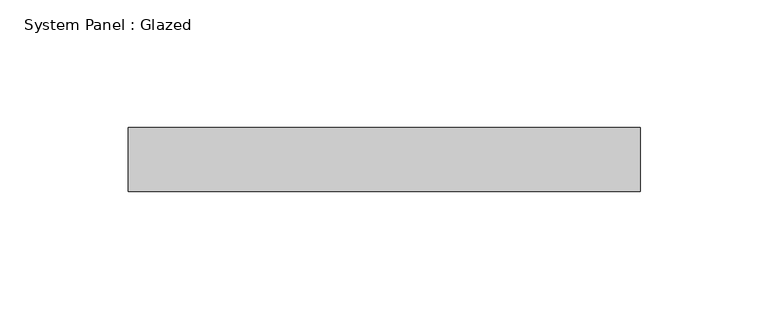
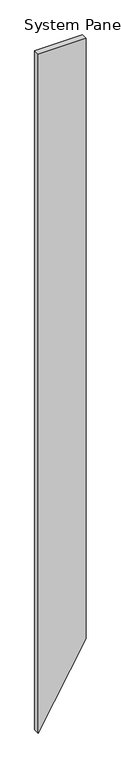
"""IFC4 building model written with IfcOpenShell, lengths in millimetres: plate geometry, System Panel : Glazed."""

from ifc_helpers import new_model, si_unit, origin, place, context, project, spatial, faceted_brep, source, transform, mapped, element, save


def system_panel_glazed_7b192f66(model_context):
    return source(origin(), model_context, "Body", "Brep", [
        faceted_brep([(-100.0000002, 24.5, 0.0), (100.0000002, 24.5, 346.410162), (100.0000002, 24.5, 3000.0), (-99.9999998, 24.5, 3000.0), (-99.9999998, 49.5, 5e-07), (-99.9999998, 49.5, 3000.0), (100.0000002, 49.5, 3000.0), (100.0000002, 49.5, 346.410162)], [[[0, 1, 2, 3]], [[4, 5, 6, 7]], [[1, 0, 4, 7]], [[2, 1, 7, 6]], [[3, 2, 6, 5]], [[0, 3, 5, 4]]]),
    ])


if __name__ == "__main__":
    model = new_model("IFC4")
    model_context = context("Model", 3, world=origin())
    ifc_project = project(units=[si_unit("LENGTHUNIT", "METRE", prefix="MILLI")], contexts=[model_context])
    site = spatial("IfcSite", under=ifc_project)
    building = spatial("IfcBuilding", under=site)
    placement = place(None, origin())
    system_panel_glazed_shape = system_panel_glazed_7b192f66(model_context)
    element("IfcPlate", 1, ObjectType="System Panel : Glazed", at=placement, inside=building, context=model_context, shape_type="MappedRepresentation", body=[
        mapped(system_panel_glazed_shape, transform((0.0, 0.0, 0.0), x_axis=(1.0, 0.0, 0.0), y_axis=(0.0, 1.0, 0.0), z_axis=(0.0, 0.0, 1.0))),
    ])
    save(model, "model.ifc")
